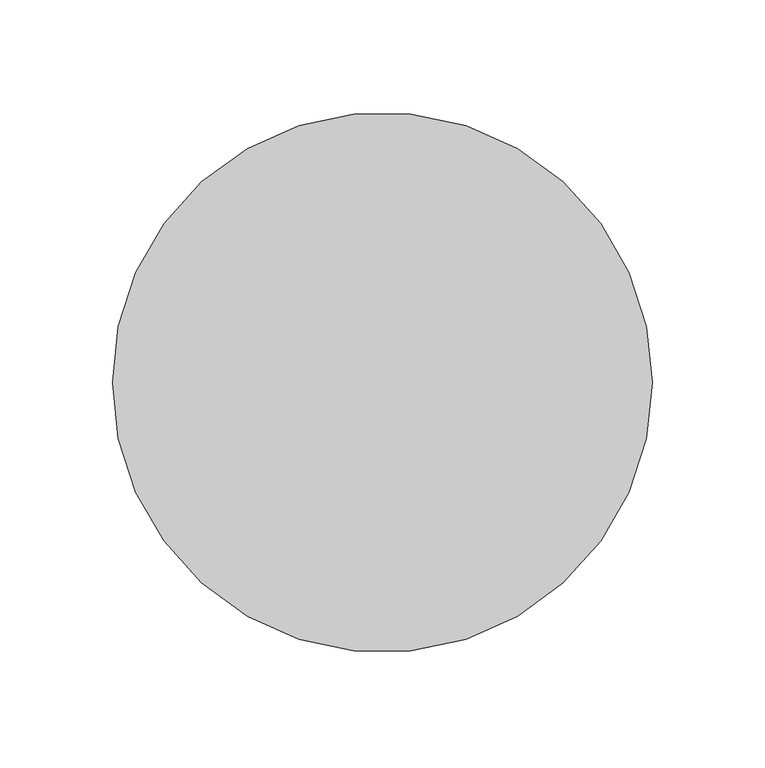
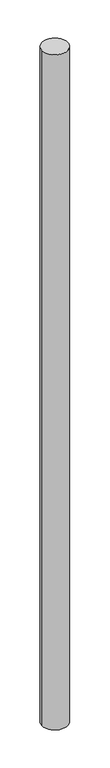
"""IFC4 building model written with IfcOpenShell, lengths in millimetres: column geometry."""

from ifc_helpers import new_model, si_unit, point, frame, origin, origin_2d, place, context, project, spatial, circle_curve, trimmed, segment, composite_curve, outline, extrude, source, transform, mapped, element, save


def column_c5e1dd39(model_context):
    return source(origin(), model_context, "Body", "SweptSolid", [
        extrude(outline(composite_curve([segment(trimmed(circle_curve(origin_2d(), 120.0), [point((-120.0, 0.0))], [point((120.0, 0.0))], False, "CARTESIAN"), True, "CONTINUOUS"), segment(trimmed(circle_curve(origin_2d(), 120.0), [point((120.0, 0.0))], [point((-120.0, 0.0))], False, "CARTESIAN"), True, "CONTINUOUS")], self_intersect=False)), frame((0.0, 0.0, -100.0), z_axis=(0.0, 0.0, 1.0), x_axis=(1.0, 0.0, 0.0)), (0.0, 0.0, 1.0), 6700.0),
    ])


if __name__ == "__main__":
    model = new_model("IFC4")
    model_context = context("Model", 3, world=origin())
    ifc_project = project(units=[si_unit("LENGTHUNIT", "METRE", prefix="MILLI")], contexts=[model_context])
    site = spatial("IfcSite", under=ifc_project)
    building = spatial("IfcBuilding", under=site)
    placement = place(None, origin())
    column_shape = column_c5e1dd39(model_context)
    element("IfcColumn", 1, at=placement, inside=building, context=model_context, shape_type="MappedRepresentation", body=[
        mapped(column_shape, transform((0.0, 0.0, 0.0), x_axis=(1.0, 0.0, 0.0), y_axis=(0.0, 1.0, 0.0), z_axis=(0.0, 0.0, 1.0))),
    ])
    save(model, "model.ifc")
